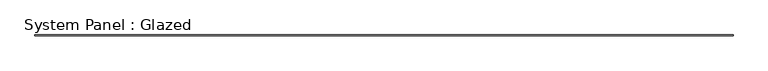
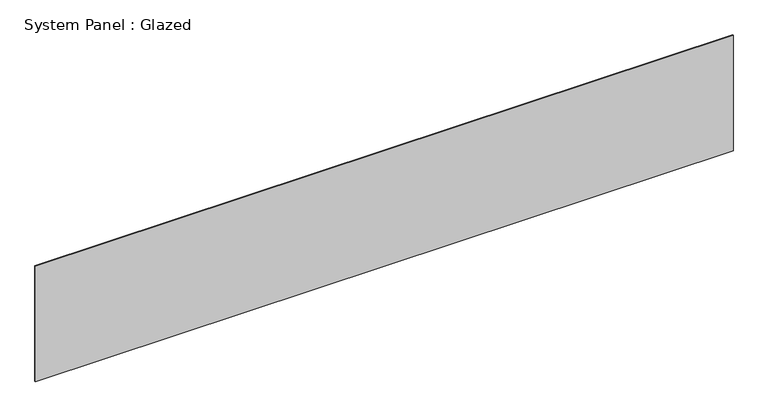
"""IFC4 building model written with IfcOpenShell, lengths in millimetres: plate geometry, System Panel : Glazed."""

from ifc_helpers import new_model, si_unit, origin, origin_with_axes, place, context, project, spatial, polyline, outline, extrude, source, transform, mapped, element, save


def system_panel_glazed_6bb18f43(model_context):
    return source(origin(), model_context, "Body", "SweptSolid", [
        extrude(outline(polyline([(10154.9999998, 24.5), (-10154.9999998, 24.5), (-10154.9999998, 49.5), (10154.9999998, 49.5), (10154.9999998, 24.5)])), origin_with_axes(), (0.0, 0.0, 1.0), 3555.5555556),
    ])


if __name__ == "__main__":
    model = new_model("IFC4")
    model_context = context("Model", 3, world=origin())
    ifc_project = project(units=[si_unit("LENGTHUNIT", "METRE", prefix="MILLI")], contexts=[model_context])
    site = spatial("IfcSite", under=ifc_project)
    building = spatial("IfcBuilding", under=site)
    placement = place(None, origin())
    system_panel_glazed_shape = system_panel_glazed_6bb18f43(model_context)
    element("IfcPlate", 1, ObjectType="System Panel : Glazed", at=placement, inside=building, context=model_context, shape_type="MappedRepresentation", body=[
        mapped(system_panel_glazed_shape, transform((0.0, 0.0, 0.0), x_axis=(1.0, 0.0, 0.0), y_axis=(0.0, 1.0, 0.0), z_axis=(0.0, 0.0, 1.0))),
    ])
    save(model, "model.ifc")
